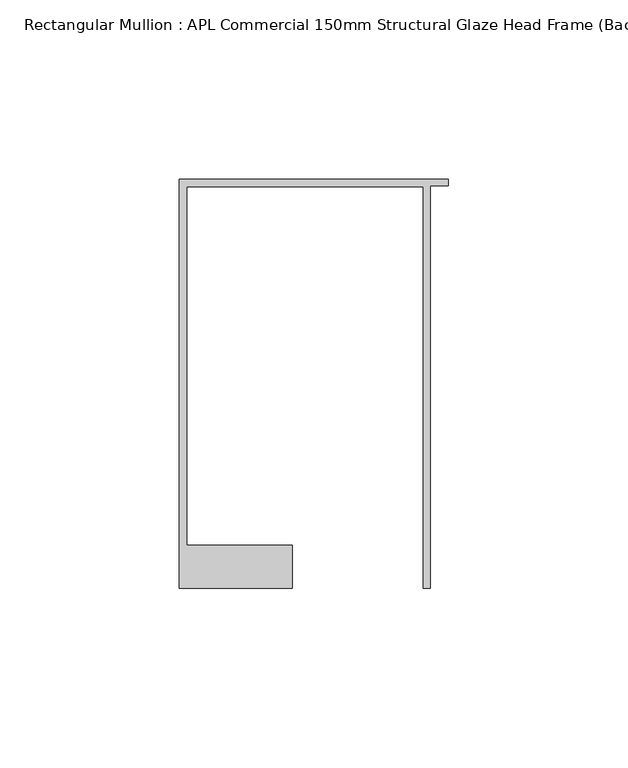
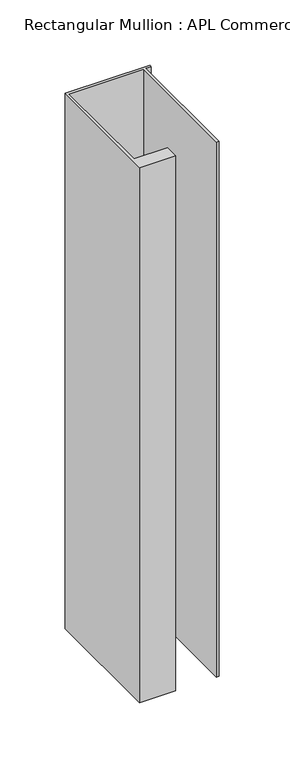
"""IFC4 building model written with IfcOpenShell, lengths in millimetres: member geometry, Rectangular Mullion : APL Commercial 150mm Structural Glaze Head Frame (Back)."""

from ifc_helpers import new_model, si_unit, frame, origin, place, context, project, spatial, polyline, outline, extrude, source, transform, mapped, element, save


def rectangular_mullion_apl_commercial_150mm_structural_glaze_96dce763(model_context):
    return source(origin(), model_context, "Body", "SweptSolid", [
        extrude(outline(polyline([(-75.0, 128.9993063), (0.0, 128.9993063), (0.0, 127.1993063), (-5.0, 127.1993063), (-5.0, 14.9998342), (-7.0, 14.9998342), (-7.0, 126.9993063), (-73.0, 126.9993063), (-73.0, 26.9997514), (-43.5000151, 26.9997514), (-43.5000151, 14.9998342), (-75.0, 14.9998342), (-75.0, 128.9993063)])), frame((0.0, 0.0, -499.5829221), z_axis=(0.0, 0.0, 1.0), x_axis=(1.0, 0.0, 0.0)), (0.0, 0.0, 1.0), 499.5829221),
    ])


if __name__ == "__main__":
    model = new_model("IFC4")
    model_context = context("Model", 3, world=origin())
    ifc_project = project(units=[si_unit("LENGTHUNIT", "METRE", prefix="MILLI")], contexts=[model_context])
    site = spatial("IfcSite", under=ifc_project)
    building = spatial("IfcBuilding", under=site)
    placement = place(None, origin())
    rectangular_mullion_apl_commercial_150mm_structural_glaze_shape = rectangular_mullion_apl_commercial_150mm_structural_glaze_96dce763(model_context)
    element("IfcMember", 1, ObjectType="Rectangular Mullion : APL Commercial 150mm Structural Glaze Head Frame (Back)", at=placement, inside=building, context=model_context, shape_type="MappedRepresentation", body=[
        mapped(rectangular_mullion_apl_commercial_150mm_structural_glaze_shape, transform((0.0, 0.0, 0.0), x_axis=(1.0, 0.0, 0.0), y_axis=(0.0, 1.0, 0.0), z_axis=(0.0, 0.0, 1.0))),
    ])
    save(model, "model.ifc")
